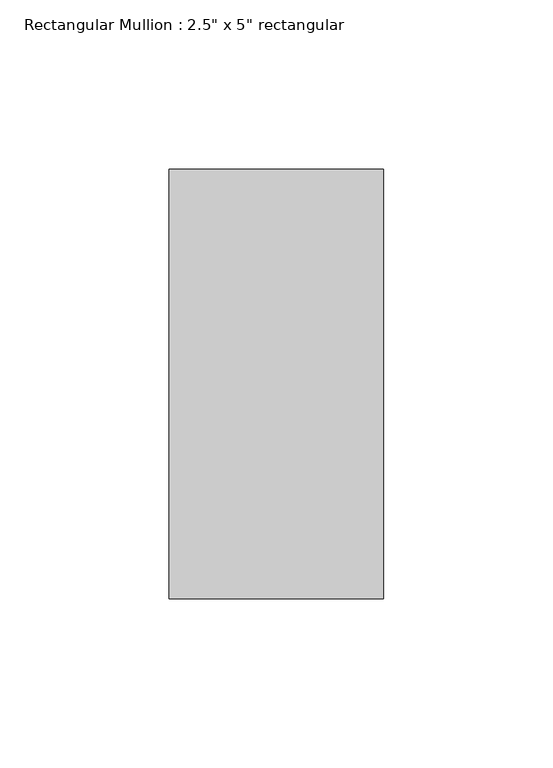
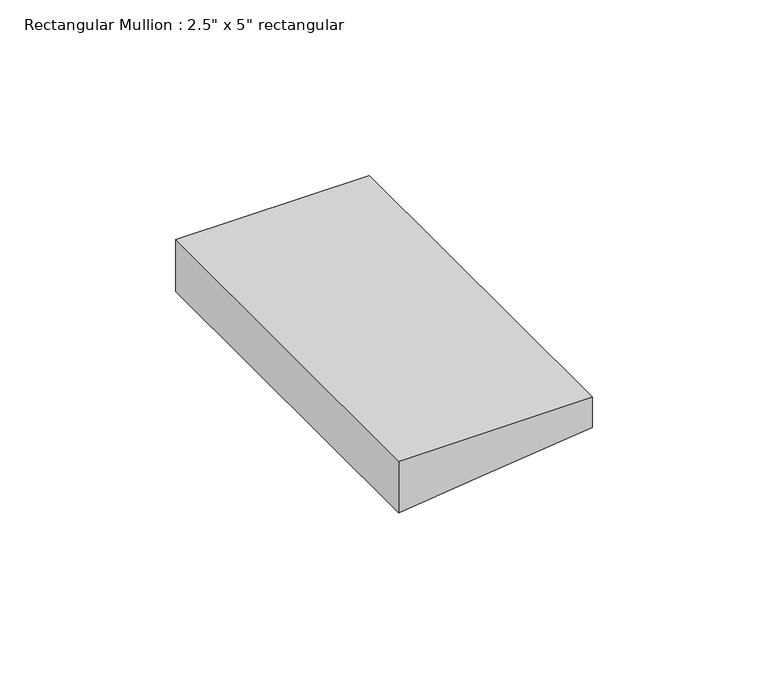
"""IFC4 building model written with IfcOpenShell, lengths in millimetres: member geometry."""

from ifc_helpers import new_model, si_unit, frame, origin, place, context, project, spatial, polyline, outline, extrude, source, transform, mapped, element, save


def member_b2d1ec2d(model_context):
    return source(origin(), model_context, "Body", "SweptSolid", [
        extrude(outline(polyline([(0.0, 31.75), (0.0, -31.75), (-18.0370397, -31.75), (-15.0310898, -7.5271357), (-10.5273554, 31.75), (0.0, 31.75)])), frame((0.0, -63.5, 0.0), z_axis=(0.0, 1.0, 0.0), x_axis=(0.0, 0.0, 1.0)), (0.0, 0.0, 1.0), 127.0),
    ])


if __name__ == "__main__":
    model = new_model("IFC4")
    model_context = context("Model", 3, world=origin())
    ifc_project = project(units=[si_unit("LENGTHUNIT", "METRE", prefix="MILLI")], contexts=[model_context])
    site = spatial("IfcSite", under=ifc_project)
    building = spatial("IfcBuilding", under=site)
    placement = place(None, origin())
    member_shape = member_b2d1ec2d(model_context)
    element("IfcMember", 1, ObjectType="Rectangular Mullion : 2.5\" x 5\" rectangular", at=placement, inside=building, context=model_context, shape_type="MappedRepresentation", body=[
        mapped(member_shape, transform((0.0, 0.0, 0.0), x_axis=(1.0, 0.0, 0.0), y_axis=(0.0, 1.0, 0.0), z_axis=(0.0, 0.0, 1.0))),
    ])
    save(model, "model.ifc")
